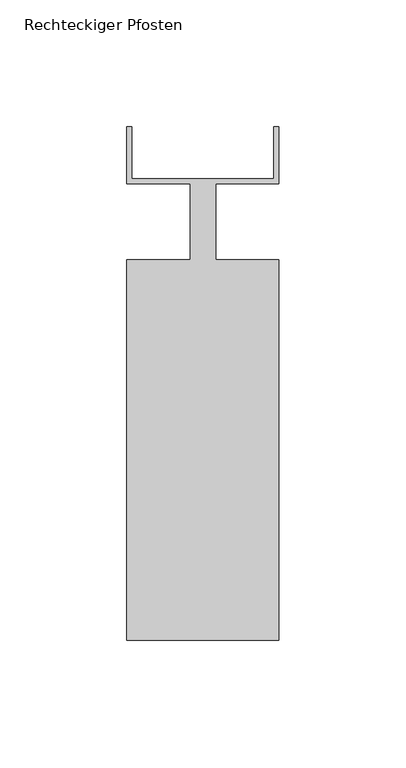
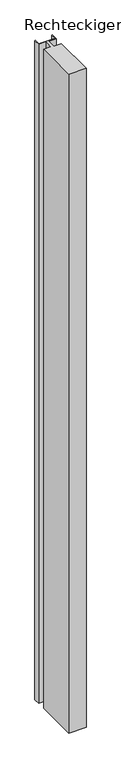
"""IFC4 building model written with IfcOpenShell, lengths in millimetres: member geometry, Rechteckiger Pfosten."""

from ifc_helpers import new_model, si_unit, frame, origin, place, context, project, spatial, polyline, outline, extrude, source, transform, mapped, element, save


def rechteckiger_pfosten_5219bbbc(model_context):
    return source(origin(), model_context, "Body", "SweptSolid", [
        extrude(outline(polyline([(28.0, 37.5), (30.0, 37.5), (30.0, 15.0), (5.0, 15.0), (5.0, -15.0), (30.0, -15.0), (30.0, -165.0), (-30.0, -165.0), (-30.0, -15.0), (-5.0, -15.0), (-5.0, 15.0), (-30.0, 15.0), (-30.0, 37.5), (-28.0, 37.5), (-28.0, 17.0), (28.0, 17.0), (28.0, 37.5)])), frame((0.0, 0.0, -2409.9999997), z_axis=(0.0, 0.0, 1.0), x_axis=(1.0, 0.0, 0.0)), (0.0, 0.0, 1.0), 2409.9999997),
    ])


if __name__ == "__main__":
    model = new_model("IFC4")
    model_context = context("Model", 3, world=origin())
    ifc_project = project(units=[si_unit("LENGTHUNIT", "METRE", prefix="MILLI")], contexts=[model_context])
    site = spatial("IfcSite", under=ifc_project)
    building = spatial("IfcBuilding", under=site)
    placement = place(None, origin())
    rechteckiger_pfosten_shape = rechteckiger_pfosten_5219bbbc(model_context)
    element("IfcMember", 1, ObjectType="Rechteckiger Pfosten", at=placement, inside=building, context=model_context, shape_type="MappedRepresentation", body=[
        mapped(rechteckiger_pfosten_shape, transform((0.0, 0.0, 0.0), x_axis=(1.0, 0.0, 0.0), y_axis=(0.0, 1.0, 0.0), z_axis=(0.0, 0.0, 1.0))),
    ])
    save(model, "model.ifc")
